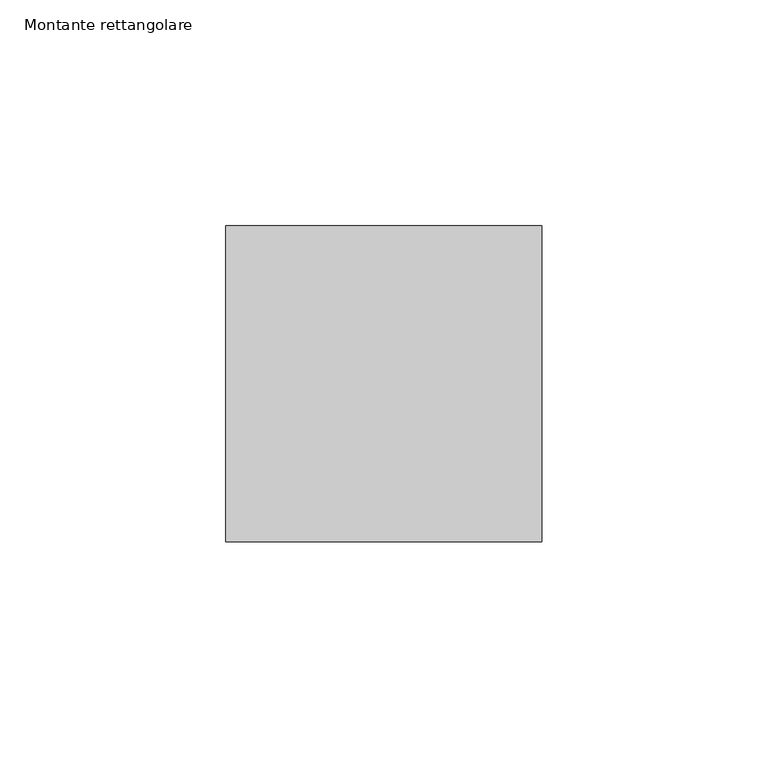
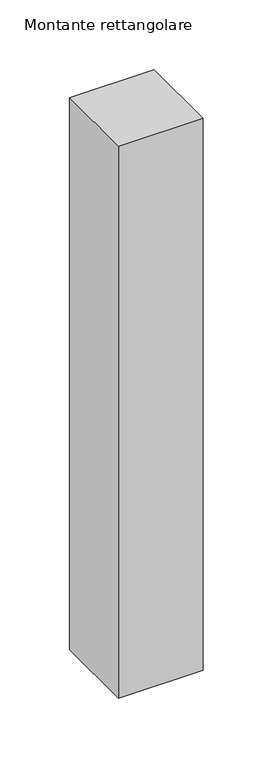
"""IFC4 building model written with IfcOpenShell, lengths in millimetres: member geometry, Montante rettangolare."""

from ifc_helpers import new_model, si_unit, frame, origin, place, context, project, spatial, polyline, outline, extrude, source, transform, mapped, element, save


def montante_rettangolare_99c658bc(model_context):
    return source(origin(), model_context, "Body", "SweptSolid", [
        extrude(outline(polyline([(35.0, 35.0), (35.0, -35.0), (-35.0, -35.0), (-35.0, 35.0), (35.0, 35.0)])), frame((0.0, 0.0, -482.4098793), z_axis=(0.0, 0.0, 1.0), x_axis=(1.0, 0.0, 0.0)), (0.0, 0.0, 1.0), 482.4098793),
    ])


if __name__ == "__main__":
    model = new_model("IFC4")
    model_context = context("Model", 3, world=origin())
    ifc_project = project(units=[si_unit("LENGTHUNIT", "METRE", prefix="MILLI")], contexts=[model_context])
    site = spatial("IfcSite", under=ifc_project)
    building = spatial("IfcBuilding", under=site)
    placement = place(None, origin())
    montante_rettangolare_shape = montante_rettangolare_99c658bc(model_context)
    element("IfcMember", 1, ObjectType="Montante rettangolare", at=placement, inside=building, context=model_context, shape_type="MappedRepresentation", body=[
        mapped(montante_rettangolare_shape, transform((0.0, 0.0, 0.0), x_axis=(1.0, 0.0, 0.0), y_axis=(0.0, 1.0, 0.0), z_axis=(0.0, 0.0, 1.0))),
    ])
    save(model, "model.ifc")
